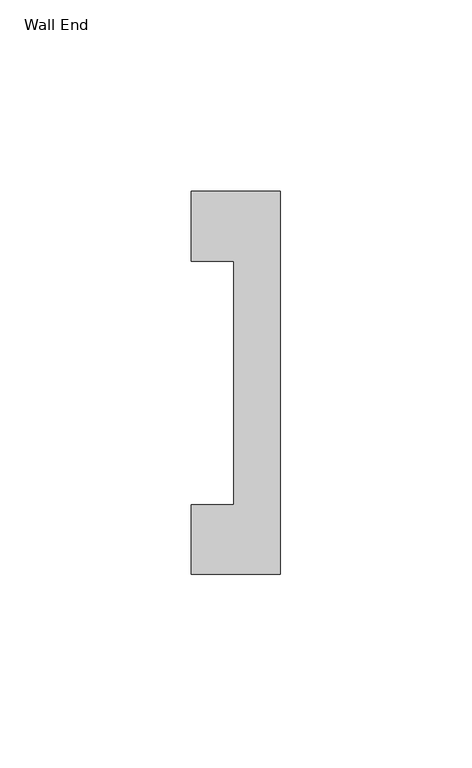
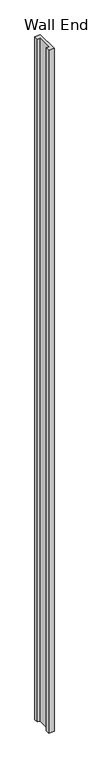
"""IFC4 building model written with IfcOpenShell, lengths in millimetres: proxy geometry, Wall End."""

from ifc_helpers import new_model, si_unit, origin, origin_with_axes, place, context, project, spatial, polyline, outline, extrude, source, transform, mapped, element, save


def wall_end_94ccb30e(model_context):
    return source(origin(), model_context, "Body", "SweptSolid", [
        extrude(outline(polyline([(-23.241, 50.00625), (0.0, 50.00625), (0.0, -49.9937507), (-23.241, -49.9937507), (-23.241, -31.7438507), (-12.2428, -31.7438507), (-12.2428, 31.75635), (-23.241, 31.75635), (-23.241, 50.00625)])), origin_with_axes(), (0.0, 0.0, 1.0), 3048.0),
    ])


if __name__ == "__main__":
    model = new_model("IFC4")
    model_context = context("Model", 3, world=origin())
    ifc_project = project(units=[si_unit("LENGTHUNIT", "METRE", prefix="MILLI")], contexts=[model_context])
    site = spatial("IfcSite", under=ifc_project)
    building = spatial("IfcBuilding", under=site)
    placement = place(None, origin())
    wall_end_shape = wall_end_94ccb30e(model_context)
    element("IfcBuildingElementProxy", 1, Name="Wall End", ObjectType="Wall End", at=placement, inside=building, context=model_context, shape_type="MappedRepresentation", body=[
        mapped(wall_end_shape, transform((0.0, 0.0, 0.0), x_axis=(1.0, 0.0, 0.0), y_axis=(0.0, 1.0, 0.0), z_axis=(0.0, 0.0, 1.0))),
    ])
    save(model, "model.ifc")
